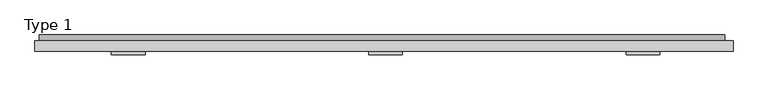
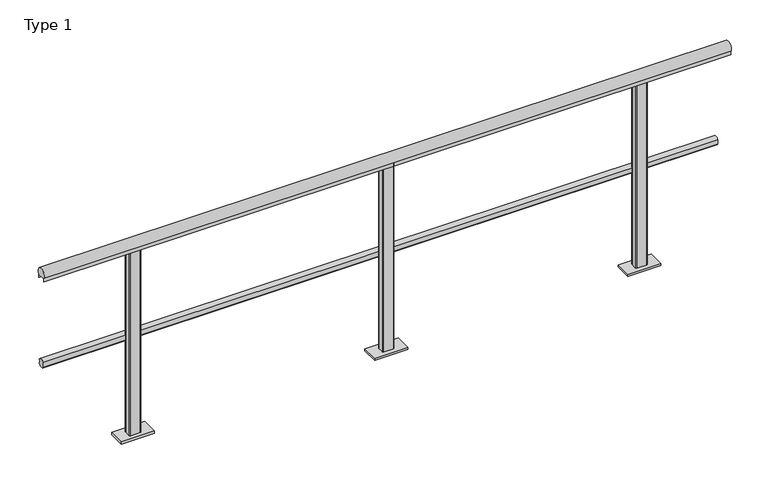
"""IFC4 building model written with IfcOpenShell, lengths in millimetres: railing geometry, Type 1."""

from ifc_helpers import new_model, si_unit, point, frame, frame_2d, origin, place, context, project, spatial, polyline, circle_curve, trimmed, segment, composite_curve, outline, extrude, source, transform, mapped, element, save
from ifc_brep_helpers import plane_surface, cylinder_surface, advanced_brep


def type_1_b4c89064(model_context):
    return source(origin(), model_context, "Body", "SolidModel", [
        extrude(outline(composite_curve([segment(trimmed(circle_curve(frame_2d((-5.287505, 488.0)), 20.0), [point((13.3, 480.617273))], [point((-21.0, 475.6259343))], False, "CARTESIAN"), True, "CONTINUOUS"), segment(polyline([(-21.0, 475.6259343), (-21.0, 500.3740657)]), True, "CONTINUOUS"), segment(trimmed(circle_curve(frame_2d((-5.287505, 488.0)), 20.0), [point((-21.0, 500.3740657))], [point((13.3, 495.382727))], False, "CARTESIAN"), True, "CONTINUOUS"), segment(polyline([(13.3, 495.382727), (9.3, 495.382727), (9.3, 480.617273), (13.3, 480.617273)]), True, "CONTINUOUS")], self_intersect=False)), frame((-394.0, 0.0, 0.0), z_axis=(1.0, 0.0, 0.0), x_axis=(0.0, 1.0, 0.0)), (0.0, 0.0, 1.0), 3254.0),
        extrude(outline(composite_curve([segment(trimmed(circle_curve(frame_2d((-40.0, 975.0)), 25.0), [point((-61.0, 961.43534))], [point((-19.0, 961.43534))], False, "CARTESIAN"), True, "CONTINUOUS"), segment(polyline([(-19.0, 961.43534), (-19.0, 943.0), (-20.0, 943.0), (-20.0, 958.0), (-60.0, 958.0), (-60.0, 943.0), (-61.0, 943.0), (-61.0, 961.43534)]), True, "CONTINUOUS")], self_intersect=False)), frame((-415.0, 0.0, 0.0), z_axis=(1.0, 0.0, 0.0), x_axis=(0.0, 1.0, 0.0)), (0.0, 0.0, 1.0), 3315.0),
        advanced_brep(
        [(1227.0, -59.0, 958.0), (1273.0, -59.0, 958.0), (1278.0, -54.0, 958.0), (1278.0, -26.0, 958.0), (1273.0, -21.0, 958.0), (1227.0, -21.0, 958.0), (1222.0, -26.0, 958.0), (1222.0, -54.0, 958.0), (1170.0, -80.0, 0.0), (1170.0, 0.0, 0.0), (1330.0, 0.0, 0.0), (1330.0, -80.0, 0.0), (1227.0, -59.0, 11.0), (1273.0, -59.0, 11.0), (1278.0, -54.0, 11.0), (1278.0, -26.0, 11.0), (1273.0, -21.0, 11.0), (1227.0, -21.0, 11.0), (1222.0, -26.0, 11.0), (1222.0, -54.0, 11.0), (1170.0, -80.0, 11.0), (1330.0, -80.0, 11.0), (1330.0, 0.0, 11.0), (1170.0, 0.0, 11.0)],
        [
            (0, 1),
            (1, 2, circle_curve(frame((1273.0, -54.0, 958.0), z_axis=(0.0, 0.0, 1.0), x_axis=(-1.0, 0.0, 0.0)), 5.0)),
            (2, 3),
            (3, 4, circle_curve(frame((1273.0, -26.0, 958.0), z_axis=(0.0, 0.0, 1.0), x_axis=(-1.0, 0.0, 0.0)), 5.0)),
            (4, 5),
            (5, 6, circle_curve(frame((1227.0, -26.0, 958.0), z_axis=(0.0, 0.0, 1.0), x_axis=(-1.0, 0.0, 0.0)), 5.0)),
            (6, 7),
            (7, 0, circle_curve(frame((1227.0, -54.0, 958.0), z_axis=(0.0, 0.0, 1.0), x_axis=(-1.0, 0.0, 0.0)), 5.0)),
            (8, 9),
            (9, 10),
            (10, 11),
            (11, 8),
            (0, 12),
            (12, 13),
            (13, 1),
            (13, 14, circle_curve(frame((1273.0, -54.0, 11.0), z_axis=(0.0, 0.0, 1.0), x_axis=(-1.0, 0.0, 0.0)), 5.0)),
            (14, 2),
            (14, 15),
            (15, 3),
            (15, 16, circle_curve(frame((1273.0, -26.0, 11.0), z_axis=(0.0, 0.0, 1.0), x_axis=(-1.0, 0.0, 0.0)), 5.0)),
            (16, 4),
            (16, 17),
            (17, 5),
            (17, 18, circle_curve(frame((1227.0, -26.0, 11.0), z_axis=(0.0, 0.0, 1.0), x_axis=(-1.0, 0.0, 0.0)), 5.0)),
            (18, 6),
            (18, 19),
            (19, 7),
            (19, 12, circle_curve(frame((1227.0, -54.0, 11.0), z_axis=(0.0, 0.0, 1.0), x_axis=(-1.0, 0.0, 0.0)), 5.0)),
            (20, 21),
            (21, 22),
            (22, 23),
            (23, 20),
            (20, 8),
            (11, 21),
            (10, 22),
            (9, 23),
        ],
        [
            plane_surface(frame((1273.0, -59.0, 958.0), z_axis=(0.0, 0.0, 1.0), x_axis=(1.0, 0.0, 0.0))),
            plane_surface(frame((1273.0, -59.0, 0.0), z_axis=(0.0, 0.0, -1.0), x_axis=(-1.0, 0.0, 0.0))),
            plane_surface(frame((1227.0, -59.0, 958.0), z_axis=(0.0, -1.0, 0.0), x_axis=(0.0, 0.0, -1.0))),
            cylinder_surface(frame((1273.0, -54.0, 0.0), z_axis=(0.0, 0.0, 1.0), x_axis=(-1.0, 0.0, 0.0)), 5.0),
            plane_surface(frame((1278.0, -54.0, 958.0), z_axis=(1.0, 0.0, 0.0), x_axis=(0.0, 0.0, -1.0))),
            cylinder_surface(frame((1273.0, -26.0, 0.0), z_axis=(0.0, 0.0, 1.0), x_axis=(-1.0, 0.0, 0.0)), 5.0),
            plane_surface(frame((1273.0, -21.0, 958.0), z_axis=(0.0, 1.0, 0.0), x_axis=(0.0, 0.0, -1.0))),
            cylinder_surface(frame((1227.0, -26.0, 0.0), z_axis=(0.0, 0.0, 1.0), x_axis=(-1.0, 0.0, 0.0)), 5.0),
            plane_surface(frame((1222.0, -26.0, 958.0), z_axis=(-1.0, 0.0, 0.0), x_axis=(0.0, 0.0, -1.0))),
            cylinder_surface(frame((1227.0, -54.0, 0.0), z_axis=(0.0, 0.0, 1.0), x_axis=(-1.0, 0.0, 0.0)), 5.0),
            plane_surface(frame((1330.0, -80.0, 11.0), z_axis=(0.0, 0.0, 1.0), x_axis=(1.0, 0.0, 0.0))),
            plane_surface(frame((1170.0, -80.0, 11.0), z_axis=(0.0, -1.0, 0.0), x_axis=(0.0, 0.0, -1.0))),
            plane_surface(frame((1330.0, -80.0, 11.0), z_axis=(1.0, 0.0, 0.0), x_axis=(0.0, 0.0, -1.0))),
            plane_surface(frame((1330.0, 0.0, 11.0), z_axis=(0.0, 1.0, 0.0), x_axis=(0.0, 0.0, -1.0))),
            plane_surface(frame((1170.0, 0.0, 11.0), z_axis=(-1.0, 0.0, 0.0), x_axis=(0.0, 0.0, -1.0))),
        ],
        [
            (0, [[1, 2, 3, 4, 5, 6, 7, 8]]),
            (1, [[9, 10, 11, 12]]),
            (2, [[-1, 13, 14, 15]]),
            (3, [[-2, -15, 16, 17]]),
            (4, [[-3, -17, 18, 19]]),
            (5, [[-4, -19, 20, 21]]),
            (6, [[-5, -21, 22, 23]]),
            (7, [[-6, -23, 24, 25]]),
            (8, [[-7, -25, 26, 27]]),
            (9, [[-8, -27, 28, -13]]),
            (10, [[29, 30, 31, 32], [-14, -28, -26, -24, -22, -20, -18, -16]]),
            (11, [[-29, 33, -12, 34]]),
            (12, [[-30, -34, -11, 35]]),
            (13, [[-31, -35, -10, 36]]),
            (14, [[-32, -36, -9, -33]]),
        ],
    ),
        advanced_brep(
        [(2449.0, -59.0, 958.0), (2495.0, -59.0, 958.0), (2500.0, -54.0, 958.0), (2500.0, -26.0, 958.0), (2495.0, -21.0, 958.0), (2449.0, -21.0, 958.0), (2444.0, -26.0, 958.0), (2444.0, -54.0, 958.0), (2392.0, -80.0, 0.0), (2392.0, 0.0, 0.0), (2552.0, 0.0, 0.0), (2552.0, -80.0, 0.0), (2449.0, -59.0, 11.0), (2495.0, -59.0, 11.0), (2500.0, -54.0, 11.0), (2500.0, -26.0, 11.0), (2495.0, -21.0, 11.0), (2449.0, -21.0, 11.0), (2444.0, -26.0, 11.0), (2444.0, -54.0, 11.0), (2392.0, -80.0, 11.0), (2552.0, -80.0, 11.0), (2552.0, 0.0, 11.0), (2392.0, 0.0, 11.0)],
        [
            (0, 1),
            (1, 2, circle_curve(frame((2495.0, -54.0, 958.0), z_axis=(0.0, 0.0, 1.0), x_axis=(-1.0, 0.0, 0.0)), 5.0)),
            (2, 3),
            (3, 4, circle_curve(frame((2495.0, -26.0, 958.0), z_axis=(0.0, 0.0, 1.0), x_axis=(-1.0, 0.0, 0.0)), 5.0)),
            (4, 5),
            (5, 6, circle_curve(frame((2449.0, -26.0, 958.0), z_axis=(0.0, 0.0, 1.0), x_axis=(-1.0, 0.0, 0.0)), 5.0)),
            (6, 7),
            (7, 0, circle_curve(frame((2449.0, -54.0, 958.0), z_axis=(0.0, 0.0, 1.0), x_axis=(-1.0, 0.0, 0.0)), 5.0)),
            (8, 9),
            (9, 10),
            (10, 11),
            (11, 8),
            (0, 12),
            (12, 13),
            (13, 1),
            (13, 14, circle_curve(frame((2495.0, -54.0, 11.0), z_axis=(0.0, 0.0, 1.0), x_axis=(-1.0, 0.0, 0.0)), 5.0)),
            (14, 2),
            (14, 15),
            (15, 3),
            (15, 16, circle_curve(frame((2495.0, -26.0, 11.0), z_axis=(0.0, 0.0, 1.0), x_axis=(-1.0, 0.0, 0.0)), 5.0)),
            (16, 4),
            (16, 17),
            (17, 5),
            (17, 18, circle_curve(frame((2449.0, -26.0, 11.0), z_axis=(0.0, 0.0, 1.0), x_axis=(-1.0, 0.0, 0.0)), 5.0)),
            (18, 6),
            (18, 19),
            (19, 7),
            (19, 12, circle_curve(frame((2449.0, -54.0, 11.0), z_axis=(0.0, 0.0, 1.0), x_axis=(-1.0, 0.0, 0.0)), 5.0)),
            (20, 21),
            (21, 22),
            (22, 23),
            (23, 20),
            (20, 8),
            (11, 21),
            (10, 22),
            (9, 23),
        ],
        [
            plane_surface(frame((2495.0, -59.0, 958.0), z_axis=(0.0, 0.0, 1.0), x_axis=(1.0, 0.0, 0.0))),
            plane_surface(frame((2495.0, -59.0, 0.0), z_axis=(0.0, 0.0, -1.0), x_axis=(-1.0, 0.0, 0.0))),
            plane_surface(frame((2449.0, -59.0, 958.0), z_axis=(0.0, -1.0, 0.0), x_axis=(0.0, 0.0, -1.0))),
            cylinder_surface(frame((2495.0, -54.0, 0.0), z_axis=(0.0, 0.0, 1.0), x_axis=(-1.0, 0.0, 0.0)), 5.0),
            plane_surface(frame((2500.0, -54.0, 958.0), z_axis=(1.0, 0.0, 0.0), x_axis=(0.0, 0.0, -1.0))),
            cylinder_surface(frame((2495.0, -26.0, 0.0), z_axis=(0.0, 0.0, 1.0), x_axis=(-1.0, 0.0, 0.0)), 5.0),
            plane_surface(frame((2495.0, -21.0, 958.0), z_axis=(0.0, 1.0, 0.0), x_axis=(0.0, 0.0, -1.0))),
            cylinder_surface(frame((2449.0, -26.0, 0.0), z_axis=(0.0, 0.0, 1.0), x_axis=(-1.0, 0.0, 0.0)), 5.0),
            plane_surface(frame((2444.0, -26.0, 958.0), z_axis=(-1.0, 0.0, 0.0), x_axis=(0.0, 0.0, -1.0))),
            cylinder_surface(frame((2449.0, -54.0, 0.0), z_axis=(0.0, 0.0, 1.0), x_axis=(-1.0, 0.0, 0.0)), 5.0),
            plane_surface(frame((2552.0, -80.0, 11.0), z_axis=(0.0, 0.0, 1.0), x_axis=(1.0, 0.0, 0.0))),
            plane_surface(frame((2392.0, -80.0, 11.0), z_axis=(0.0, -1.0, 0.0), x_axis=(0.0, 0.0, -1.0))),
            plane_surface(frame((2552.0, -80.0, 11.0), z_axis=(1.0, 0.0, 0.0), x_axis=(0.0, 0.0, -1.0))),
            plane_surface(frame((2552.0, 0.0, 11.0), z_axis=(0.0, 1.0, 0.0), x_axis=(0.0, 0.0, -1.0))),
            plane_surface(frame((2392.0, 0.0, 11.0), z_axis=(-1.0, 0.0, 0.0), x_axis=(0.0, 0.0, -1.0))),
        ],
        [
            (0, [[1, 2, 3, 4, 5, 6, 7, 8]]),
            (1, [[9, 10, 11, 12]]),
            (2, [[-1, 13, 14, 15]]),
            (3, [[-2, -15, 16, 17]]),
            (4, [[-3, -17, 18, 19]]),
            (5, [[-4, -19, 20, 21]]),
            (6, [[-5, -21, 22, 23]]),
            (7, [[-6, -23, 24, 25]]),
            (8, [[-7, -25, 26, 27]]),
            (9, [[-8, -27, 28, -13]]),
            (10, [[29, 30, 31, 32], [-14, -28, -26, -24, -22, -20, -18, -16]]),
            (11, [[-29, 33, -12, 34]]),
            (12, [[-30, -34, -11, 35]]),
            (13, [[-31, -35, -10, 36]]),
            (14, [[-32, -36, -9, -33]]),
        ],
    ),
        advanced_brep(
        [(5.0, -59.0, 958.0), (51.0, -59.0, 958.0), (56.0, -54.0, 958.0), (56.0, -26.0, 958.0), (51.0, -21.0, 958.0), (5.0, -21.0, 958.0), (0.0, -26.0, 958.0), (0.0, -54.0, 958.0), (-52.0, -80.0, 0.0), (-52.0, 0.0, 0.0), (108.0, 0.0, 0.0), (108.0, -80.0, 0.0), (5.0, -59.0, 11.0), (51.0, -59.0, 11.0), (56.0, -54.0, 11.0), (56.0, -26.0, 11.0), (51.0, -21.0, 11.0), (5.0, -21.0, 11.0), (0.0, -26.0, 11.0), (0.0, -54.0, 11.0), (-52.0, -80.0, 11.0), (108.0, -80.0, 11.0), (108.0, 0.0, 11.0), (-52.0, 0.0, 11.0)],
        [
            (0, 1),
            (1, 2, circle_curve(frame((51.0, -54.0, 958.0), z_axis=(0.0, 0.0, 1.0), x_axis=(-1.0, 0.0, 0.0)), 5.0)),
            (2, 3),
            (3, 4, circle_curve(frame((51.0, -26.0, 958.0), z_axis=(0.0, 0.0, 1.0), x_axis=(-1.0, 0.0, 0.0)), 5.0)),
            (4, 5),
            (5, 6, circle_curve(frame((5.0, -26.0, 958.0), z_axis=(0.0, 0.0, 1.0), x_axis=(-1.0, 0.0, 0.0)), 5.0)),
            (6, 7),
            (7, 0, circle_curve(frame((5.0, -54.0, 958.0), z_axis=(0.0, 0.0, 1.0), x_axis=(-1.0, 0.0, 0.0)), 5.0)),
            (8, 9),
            (9, 10),
            (10, 11),
            (11, 8),
            (0, 12),
            (12, 13),
            (13, 1),
            (13, 14, circle_curve(frame((51.0, -54.0, 11.0), z_axis=(0.0, 0.0, 1.0), x_axis=(-1.0, 0.0, 0.0)), 5.0)),
            (14, 2),
            (14, 15),
            (15, 3),
            (15, 16, circle_curve(frame((51.0, -26.0, 11.0), z_axis=(0.0, 0.0, 1.0), x_axis=(-1.0, 0.0, 0.0)), 5.0)),
            (16, 4),
            (16, 17),
            (17, 5),
            (17, 18, circle_curve(frame((5.0, -26.0, 11.0), z_axis=(0.0, 0.0, 1.0), x_axis=(-1.0, 0.0, 0.0)), 5.0)),
            (18, 6),
            (18, 19),
            (19, 7),
            (19, 12, circle_curve(frame((5.0, -54.0, 11.0), z_axis=(0.0, 0.0, 1.0), x_axis=(-1.0, 0.0, 0.0)), 5.0)),
            (20, 21),
            (21, 22),
            (22, 23),
            (23, 20),
            (20, 8),
            (11, 21),
            (10, 22),
            (9, 23),
        ],
        [
            plane_surface(frame((51.0, -59.0, 958.0), z_axis=(0.0, 0.0, 1.0), x_axis=(1.0, 0.0, 0.0))),
            plane_surface(frame((51.0, -59.0, 0.0), z_axis=(0.0, 0.0, -1.0), x_axis=(-1.0, 0.0, 0.0))),
            plane_surface(frame((5.0, -59.0, 958.0), z_axis=(0.0, -1.0, 0.0), x_axis=(0.0, 0.0, -1.0))),
            cylinder_surface(frame((51.0, -54.0, 0.0), z_axis=(0.0, 0.0, 1.0), x_axis=(-1.0, 0.0, 0.0)), 5.0),
            plane_surface(frame((56.0, -54.0, 958.0), z_axis=(1.0, 0.0, 0.0), x_axis=(0.0, 0.0, -1.0))),
            cylinder_surface(frame((51.0, -26.0, 0.0), z_axis=(0.0, 0.0, 1.0), x_axis=(-1.0, 0.0, 0.0)), 5.0),
            plane_surface(frame((51.0, -21.0, 958.0), z_axis=(0.0, 1.0, 0.0), x_axis=(0.0, 0.0, -1.0))),
            cylinder_surface(frame((5.0, -26.0, 0.0), z_axis=(0.0, 0.0, 1.0), x_axis=(-1.0, 0.0, 0.0)), 5.0),
            plane_surface(frame((0.0, -26.0, 958.0), z_axis=(-1.0, 0.0, 0.0), x_axis=(0.0, 0.0, -1.0))),
            cylinder_surface(frame((5.0, -54.0, 0.0), z_axis=(0.0, 0.0, 1.0), x_axis=(-1.0, 0.0, 0.0)), 5.0),
            plane_surface(frame((108.0, -80.0, 11.0), z_axis=(0.0, 0.0, 1.0), x_axis=(1.0, 0.0, 0.0))),
            plane_surface(frame((-52.0, -80.0, 11.0), z_axis=(0.0, -1.0, 0.0), x_axis=(0.0, 0.0, -1.0))),
            plane_surface(frame((108.0, -80.0, 11.0), z_axis=(1.0, 0.0, 0.0), x_axis=(0.0, 0.0, -1.0))),
            plane_surface(frame((108.0, 0.0, 11.0), z_axis=(0.0, 1.0, 0.0), x_axis=(0.0, 0.0, -1.0))),
            plane_surface(frame((-52.0, 0.0, 11.0), z_axis=(-1.0, 0.0, 0.0), x_axis=(0.0, 0.0, -1.0))),
        ],
        [
            (0, [[1, 2, 3, 4, 5, 6, 7, 8]]),
            (1, [[9, 10, 11, 12]]),
            (2, [[-1, 13, 14, 15]]),
            (3, [[-2, -15, 16, 17]]),
            (4, [[-3, -17, 18, 19]]),
            (5, [[-4, -19, 20, 21]]),
            (6, [[-5, -21, 22, 23]]),
            (7, [[-6, -23, 24, 25]]),
            (8, [[-7, -25, 26, 27]]),
            (9, [[-8, -27, 28, -13]]),
            (10, [[29, 30, 31, 32], [-14, -28, -26, -24, -22, -20, -18, -16]]),
            (11, [[-29, 33, -12, 34]]),
            (12, [[-30, -34, -11, 35]]),
            (13, [[-31, -35, -10, 36]]),
            (14, [[-32, -36, -9, -33]]),
        ],
    ),
    ])


if __name__ == "__main__":
    model = new_model("IFC4")
    model_context = context("Model", 3, world=origin())
    ifc_project = project(units=[si_unit("LENGTHUNIT", "METRE", prefix="MILLI")], contexts=[model_context])
    site = spatial("IfcSite", under=ifc_project)
    building = spatial("IfcBuilding", under=site)
    placement = place(None, origin())
    type_1_shape = type_1_b4c89064(model_context)
    element("IfcRailing", 1, ObjectType="Type 1", at=placement, inside=building, context=model_context, shape_type="MappedRepresentation", body=[
        mapped(type_1_shape, transform((0.0, 0.0, 0.0), x_axis=(1.0, 0.0, 0.0), y_axis=(0.0, 1.0, 0.0), z_axis=(0.0, 0.0, 1.0))),
    ])
    save(model, "model.ifc")
